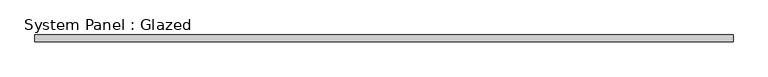
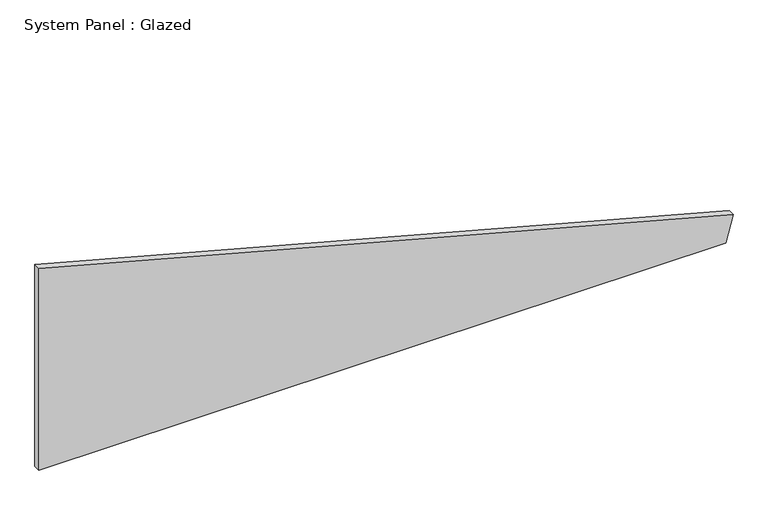
"""IFC4 building model written with IfcOpenShell, lengths in millimetres: plate geometry, System Panel : Glazed."""

from ifc_helpers import new_model, si_unit, frame, origin, place, context, project, spatial, polyline, outline, extrude, source, transform, mapped, element, save


def system_panel_glazed_c901ed0c(model_context):
    return source(origin(), model_context, "Body", "SweptSolid", [
        extrude(outline(polyline([(0.0, -1309.4068911), (0.0, 1281.7048683), (103.3853563, 1309.4068911), (805.0943944, -1309.4068911), (0.0, -1309.4068911)])), frame((0.0, -22.5, 0.0), z_axis=(0.0, 1.0, 0.0), x_axis=(0.0, 0.0, 1.0)), (0.0, 0.0, 1.0), 25.0),
    ])


if __name__ == "__main__":
    model = new_model("IFC4")
    model_context = context("Model", 3, world=origin())
    ifc_project = project(units=[si_unit("LENGTHUNIT", "METRE", prefix="MILLI")], contexts=[model_context])
    site = spatial("IfcSite", under=ifc_project)
    building = spatial("IfcBuilding", under=site)
    placement = place(None, origin())
    system_panel_glazed_shape = system_panel_glazed_c901ed0c(model_context)
    element("IfcPlate", 1, ObjectType="System Panel : Glazed", at=placement, inside=building, context=model_context, shape_type="MappedRepresentation", body=[
        mapped(system_panel_glazed_shape, transform((0.0, 0.0, 0.0), x_axis=(1.0, 0.0, 0.0), y_axis=(0.0, 1.0, 0.0), z_axis=(0.0, 0.0, 1.0))),
    ])
    save(model, "model.ifc")
